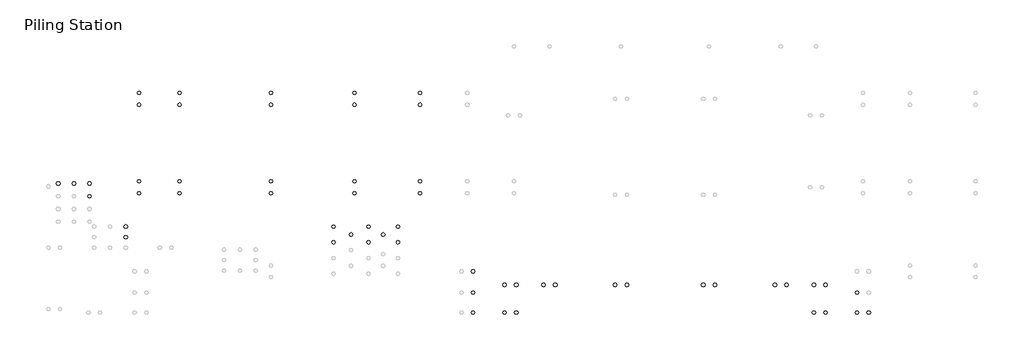
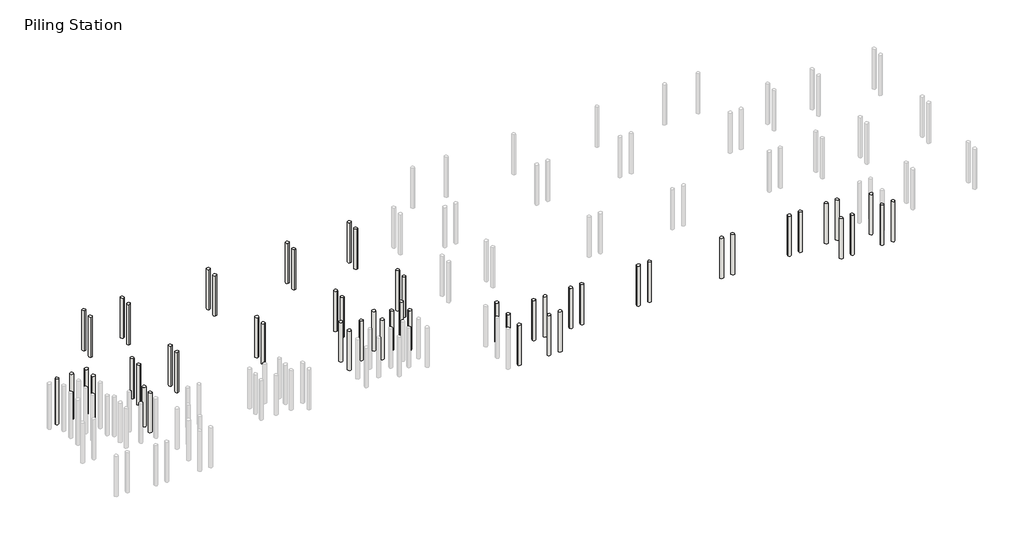
# One storey, part 2 of 4: 56 slabs.
"""IFC4 building model written with IfcOpenShell, lengths in millimetres."""

from ifc_helpers import new_model, si_unit, point, frame, frame_2d, origin, place, context, project, spatial, circle_curve, trimmed, segment, composite_curve, outline, extrude, element, save

model = new_model("IFC4")

# Units and contexts
model_context = context("Model", 3, world=origin())
ifc_project = project(units=[si_unit("LENGTHUNIT", "METRE", prefix="MILLI")], contexts=[model_context])

# Site, building, storey
site = spatial("IfcSite", under=ifc_project)
building = spatial("IfcBuilding", under=site)
storey = spatial("IfcBuildingStorey", under=building, Name="Piling Station", Elevation=-2100.0)

# Slabs
placement = place(None, origin())
element("IfcSlab", 1, ObjectType="Pile-Round with Symbol", at=placement, inside=storey, context=model_context, shape_type="SweptSolid", body=[
    extrude(outline(composite_curve([segment(trimmed(circle_curve(frame_2d((-59625.0749186, -11862.2248986)), 125.0), [point((-59500.0749186, -11862.2248986))], [point((-59750.0749186, -11862.2248986))], False, "CARTESIAN"), True, "CONTINUOUS"), segment(trimmed(circle_curve(frame_2d((-59625.0749186, -11862.2248986)), 125.0), [point((-59750.0749186, -11862.2248986))], [point((-59500.0749186, -11862.2248986))], False, "CARTESIAN"), True, "CONTINUOUS")], self_intersect=False)), frame((0.0, 0.0, -5050.0), z_axis=(0.0, 0.0, 1.0), x_axis=(1.0, 0.0, 0.0)), (0.0, 0.0, 1.0), 3450.0),
])
element("IfcSlab", 2, ObjectType="Pile-Round with Symbol", at=placement, inside=storey, context=model_context, shape_type="SweptSolid", body=[
    extrude(outline(composite_curve([segment(trimmed(circle_curve(frame_2d((-57500.0749186, -11862.2248986)), 125.0), [point((-57625.0749186, -11862.2248986))], [point((-57375.0749186, -11862.2248986))], False, "CARTESIAN"), True, "CONTINUOUS"), segment(trimmed(circle_curve(frame_2d((-57500.0749186, -11862.2248986)), 125.0), [point((-57375.0749186, -11862.2248986))], [point((-57625.0749186, -11862.2248986))], False, "CARTESIAN"), True, "CONTINUOUS")], self_intersect=False)), frame((0.0, 0.0, -5050.0), z_axis=(0.0, 0.0, 1.0), x_axis=(1.0, 0.0, 0.0)), (0.0, 0.0, 1.0), 3450.0),
])
element("IfcSlab", 3, ObjectType="Pile-Round with Symbol", at=placement, inside=storey, context=model_context, shape_type="SweptSolid", body=[
    extrude(outline(composite_curve([segment(trimmed(circle_curve(frame_2d((-58562.5749186, -11862.2248986)), 125.0), [point((-58437.5749186, -11862.2248986))], [point((-58687.5749186, -11862.2248986))], False, "CARTESIAN"), True, "CONTINUOUS"), segment(trimmed(circle_curve(frame_2d((-58562.5749186, -11862.2248986)), 125.0), [point((-58687.5749186, -11862.2248986))], [point((-58437.5749186, -11862.2248986))], False, "CARTESIAN"), True, "CONTINUOUS")], self_intersect=False)), frame((0.0, 0.0, -5050.0), z_axis=(0.0, 0.0, 1.0), x_axis=(1.0, 0.0, 0.0)), (0.0, 0.0, 1.0), 3450.0),
])
element("IfcSlab", 4, ObjectType="Pile-Round with Symbol", at=placement, inside=storey, context=model_context, shape_type="SweptSolid", body=[
    extrude(outline(composite_curve([segment(trimmed(circle_curve(frame_2d((-57500.0749186, -12731.3915653)), 125.0), [point((-57625.0749186, -12731.3915653))], [point((-57375.0749186, -12731.3915653))], False, "CARTESIAN"), True, "CONTINUOUS"), segment(trimmed(circle_curve(frame_2d((-57500.0749186, -12731.3915653)), 125.0), [point((-57375.0749186, -12731.3915653))], [point((-57625.0749186, -12731.3915653))], False, "CARTESIAN"), True, "CONTINUOUS")], self_intersect=False)), frame((0.0, 0.0, -5050.0), z_axis=(0.0, 0.0, 1.0), x_axis=(1.0, 0.0, 0.0)), (0.0, 0.0, 1.0), 3450.0),
])
element("IfcSlab", 5, ObjectType="Pile-Round with Symbol", at=placement, inside=storey, context=model_context, shape_type="SweptSolid", body=[
    extrude(outline(composite_curve([segment(trimmed(circle_curve(frame_2d((-55027.5749186, -14795.558232)), 125.0), [point((-55152.5749186, -14795.558232))], [point((-54902.5749186, -14795.558232))], False, "CARTESIAN"), True, "CONTINUOUS"), segment(trimmed(circle_curve(frame_2d((-55027.5749186, -14795.558232)), 125.0), [point((-54902.5749186, -14795.558232))], [point((-55152.5749186, -14795.558232))], False, "CARTESIAN"), True, "CONTINUOUS")], self_intersect=False)), frame((0.0, 0.0, -5050.0), z_axis=(0.0, 0.0, 1.0), x_axis=(1.0, 0.0, 0.0)), (0.0, 0.0, 1.0), 3000.0),
])
element("IfcSlab", 6, ObjectType="Pile-Round with Symbol", at=placement, inside=storey, context=model_context, shape_type="SweptSolid", body=[
    extrude(outline(composite_curve([segment(trimmed(circle_curve(frame_2d((-55027.5749186, -15520.558232)), 125.0), [point((-55152.5749186, -15520.558232))], [point((-54902.5749186, -15520.558232))], False, "CARTESIAN"), True, "CONTINUOUS"), segment(trimmed(circle_curve(frame_2d((-55027.5749186, -15520.558232)), 125.0), [point((-54902.5749186, -15520.558232))], [point((-55152.5749186, -15520.558232))], False, "CARTESIAN"), True, "CONTINUOUS")], self_intersect=False)), frame((0.0, 0.0, -5050.0), z_axis=(0.0, 0.0, 1.0), x_axis=(1.0, 0.0, 0.0)), (0.0, 0.0, 1.0), 3000.0),
])
element("IfcSlab", 7, ObjectType="Pile-Round with Symbol", at=placement, inside=storey, context=model_context, shape_type="SweptSolid", body=[
    extrude(outline(composite_curve([segment(trimmed(circle_curve(frame_2d((-51367.5749186, -12519.7248986)), 125.0), [point((-51367.5749186, -12644.7248986))], [point((-51367.5749186, -12394.7248986))], False, "CARTESIAN"), True, "CONTINUOUS"), segment(trimmed(circle_curve(frame_2d((-51367.5749186, -12519.7248986)), 125.0), [point((-51367.5749186, -12394.7248986))], [point((-51367.5749186, -12644.7248986))], False, "CARTESIAN"), True, "CONTINUOUS")], self_intersect=False)), frame((0.0, 0.0, -5100.0), z_axis=(0.0, 0.0, 1.0), x_axis=(1.0, 0.0, 0.0)), (0.0, 0.0, 1.0), 3050.0),
])
element("IfcSlab", 8, ObjectType="Pile-Round with Symbol", at=placement, inside=storey, context=model_context, shape_type="SweptSolid", body=[
    extrude(outline(composite_curve([segment(trimmed(circle_curve(frame_2d((-51367.5749186, -11719.7248986)), 125.0), [point((-51367.5749186, -11594.7248986))], [point((-51367.5749186, -11844.7248986))], False, "CARTESIAN"), True, "CONTINUOUS"), segment(trimmed(circle_curve(frame_2d((-51367.5749186, -11719.7248986)), 125.0), [point((-51367.5749186, -11844.7248986))], [point((-51367.5749186, -11594.7248986))], False, "CARTESIAN"), True, "CONTINUOUS")], self_intersect=False)), frame((0.0, 0.0, -5100.0), z_axis=(0.0, 0.0, 1.0), x_axis=(1.0, 0.0, 0.0)), (0.0, 0.0, 1.0), 3050.0),
])
element("IfcSlab", 9, ObjectType="Pile-Round with Symbol", at=placement, inside=storey, context=model_context, shape_type="SweptSolid", body=[
    extrude(outline(composite_curve([segment(trimmed(circle_curve(frame_2d((-54120.0749186, -12519.7248986)), 125.0), [point((-54120.0749186, -12644.7248986))], [point((-54120.0749186, -12394.7248986))], False, "CARTESIAN"), True, "CONTINUOUS"), segment(trimmed(circle_curve(frame_2d((-54120.0749186, -12519.7248986)), 125.0), [point((-54120.0749186, -12394.7248986))], [point((-54120.0749186, -12644.7248986))], False, "CARTESIAN"), True, "CONTINUOUS")], self_intersect=False)), frame((0.0, 0.0, -5100.0), z_axis=(0.0, 0.0, 1.0), x_axis=(1.0, 0.0, 0.0)), (0.0, 0.0, 1.0), 3050.0),
])
element("IfcSlab", 10, ObjectType="Pile-Round with Symbol", at=placement, inside=storey, context=model_context, shape_type="SweptSolid", body=[
    extrude(outline(composite_curve([segment(trimmed(circle_curve(frame_2d((-54120.0749186, -11719.7248986)), 125.0), [point((-54120.0749186, -11594.7248986))], [point((-54120.0749186, -11844.7248986))], False, "CARTESIAN"), True, "CONTINUOUS"), segment(trimmed(circle_curve(frame_2d((-54120.0749186, -11719.7248986)), 125.0), [point((-54120.0749186, -11844.7248986))], [point((-54120.0749186, -11594.7248986))], False, "CARTESIAN"), True, "CONTINUOUS")], self_intersect=False)), frame((0.0, 0.0, -5100.0), z_axis=(0.0, 0.0, 1.0), x_axis=(1.0, 0.0, 0.0)), (0.0, 0.0, 1.0), 3050.0),
])
element("IfcSlab", 11, ObjectType="Pile-Round with Symbol", at=placement, inside=storey, context=model_context, shape_type="SweptSolid", body=[
    extrude(outline(composite_curve([segment(trimmed(circle_curve(frame_2d((-45147.5749186, -12519.7248986)), 125.0), [point((-45147.5749186, -12644.7248986))], [point((-45147.5749186, -12394.7248986))], False, "CARTESIAN"), True, "CONTINUOUS"), segment(trimmed(circle_curve(frame_2d((-45147.5749186, -12519.7248986)), 125.0), [point((-45147.5749186, -12394.7248986))], [point((-45147.5749186, -12644.7248986))], False, "CARTESIAN"), True, "CONTINUOUS")], self_intersect=False)), frame((0.0, 0.0, -5100.0), z_axis=(0.0, 0.0, 1.0), x_axis=(1.0, 0.0, 0.0)), (0.0, 0.0, 1.0), 3050.0),
])
element("IfcSlab", 12, ObjectType="Pile-Round with Symbol", at=placement, inside=storey, context=model_context, shape_type="SweptSolid", body=[
    extrude(outline(composite_curve([segment(trimmed(circle_curve(frame_2d((-45147.5749186, -11719.7248986)), 125.0), [point((-45147.5749186, -11594.7248986))], [point((-45147.5749186, -11844.7248986))], False, "CARTESIAN"), True, "CONTINUOUS"), segment(trimmed(circle_curve(frame_2d((-45147.5749186, -11719.7248986)), 125.0), [point((-45147.5749186, -11844.7248986))], [point((-45147.5749186, -11594.7248986))], False, "CARTESIAN"), True, "CONTINUOUS")], self_intersect=False)), frame((0.0, 0.0, -5100.0), z_axis=(0.0, 0.0, 1.0), x_axis=(1.0, 0.0, 0.0)), (0.0, 0.0, 1.0), 3050.0),
])
element("IfcSlab", 13, ObjectType="Pile-Round with Symbol", at=placement, inside=storey, context=model_context, shape_type="SweptSolid", body=[
    extrude(outline(composite_curve([segment(trimmed(circle_curve(frame_2d((-39454.2335648, -12519.7248986)), 125.0), [point((-39454.2335648, -12644.7248986))], [point((-39454.2335648, -12394.7248986))], False, "CARTESIAN"), True, "CONTINUOUS"), segment(trimmed(circle_curve(frame_2d((-39454.2335648, -12519.7248986)), 125.0), [point((-39454.2335648, -12394.7248986))], [point((-39454.2335648, -12644.7248986))], False, "CARTESIAN"), True, "CONTINUOUS")], self_intersect=False)), frame((0.0, 0.0, -5100.0), z_axis=(0.0, 0.0, 1.0), x_axis=(1.0, 0.0, 0.0)), (0.0, 0.0, 1.0), 3050.0),
])
element("IfcSlab", 14, ObjectType="Pile-Round with Symbol", at=placement, inside=storey, context=model_context, shape_type="SweptSolid", body=[
    extrude(outline(composite_curve([segment(trimmed(circle_curve(frame_2d((-39454.2335648, -11719.7248986)), 125.0), [point((-39454.2335648, -11594.7248986))], [point((-39454.2335648, -11844.7248986))], False, "CARTESIAN"), True, "CONTINUOUS"), segment(trimmed(circle_curve(frame_2d((-39454.2335648, -11719.7248986)), 125.0), [point((-39454.2335648, -11844.7248986))], [point((-39454.2335648, -11594.7248986))], False, "CARTESIAN"), True, "CONTINUOUS")], self_intersect=False)), frame((0.0, 0.0, -5100.0), z_axis=(0.0, 0.0, 1.0), x_axis=(1.0, 0.0, 0.0)), (0.0, 0.0, 1.0), 3050.0),
])
element("IfcSlab", 15, ObjectType="Pile-Round with Symbol", at=placement, inside=storey, context=model_context, shape_type="SweptSolid", body=[
    extrude(outline(composite_curve([segment(trimmed(circle_curve(frame_2d((-34987.5749186, -12519.7248986)), 125.0), [point((-34987.5749186, -12644.7248986))], [point((-34987.5749186, -12394.7248986))], False, "CARTESIAN"), True, "CONTINUOUS"), segment(trimmed(circle_curve(frame_2d((-34987.5749186, -12519.7248986)), 125.0), [point((-34987.5749186, -12394.7248986))], [point((-34987.5749186, -12644.7248986))], False, "CARTESIAN"), True, "CONTINUOUS")], self_intersect=False)), frame((0.0, 0.0, -5100.0), z_axis=(0.0, 0.0, 1.0), x_axis=(1.0, 0.0, 0.0)), (0.0, 0.0, 1.0), 3050.0),
])
element("IfcSlab", 16, ObjectType="Pile-Round with Symbol", at=placement, inside=storey, context=model_context, shape_type="SweptSolid", body=[
    extrude(outline(composite_curve([segment(trimmed(circle_curve(frame_2d((-34987.5749186, -11719.7248986)), 125.0), [point((-34987.5749186, -11594.7248986))], [point((-34987.5749186, -11844.7248986))], False, "CARTESIAN"), True, "CONTINUOUS"), segment(trimmed(circle_curve(frame_2d((-34987.5749186, -11719.7248986)), 125.0), [point((-34987.5749186, -11844.7248986))], [point((-34987.5749186, -11594.7248986))], False, "CARTESIAN"), True, "CONTINUOUS")], self_intersect=False)), frame((0.0, 0.0, -5100.0), z_axis=(0.0, 0.0, 1.0), x_axis=(1.0, 0.0, 0.0)), (0.0, 0.0, 1.0), 3050.0),
])
element("IfcSlab", 17, ObjectType="Pile-Round with Symbol", at=placement, inside=storey, context=model_context, shape_type="SweptSolid", body=[
    extrude(outline(composite_curve([segment(trimmed(circle_curve(frame_2d((-31377.5749186, -20659.7180835)), 125.0), [point((-31252.5749186, -20659.7180835))], [point((-31502.5749186, -20659.7180835))], False, "CARTESIAN"), True, "CONTINUOUS"), segment(trimmed(circle_curve(frame_2d((-31377.5749186, -20659.7180835)), 125.0), [point((-31502.5749186, -20659.7180835))], [point((-31252.5749186, -20659.7180835))], False, "CARTESIAN"), True, "CONTINUOUS")], self_intersect=False)), frame((0.0, 0.0, -5100.0), z_axis=(0.0, 0.0, 1.0), x_axis=(1.0, 0.0, 0.0)), (0.0, 0.0, 1.0), 3050.0),
])
element("IfcSlab", 18, ObjectType="Pile-Round with Symbol", at=placement, inside=storey, context=model_context, shape_type="SweptSolid", body=[
    extrude(outline(composite_curve([segment(trimmed(circle_curve(frame_2d((-31377.5749186, -19299.1395763)), 125.0), [point((-31252.5749186, -19299.1395763))], [point((-31502.5749186, -19299.1395763))], False, "CARTESIAN"), True, "CONTINUOUS"), segment(trimmed(circle_curve(frame_2d((-31377.5749186, -19299.1395763)), 125.0), [point((-31502.5749186, -19299.1395763))], [point((-31252.5749186, -19299.1395763))], False, "CARTESIAN"), True, "CONTINUOUS")], self_intersect=False)), frame((0.0, 0.0, -5100.0), z_axis=(0.0, 0.0, 1.0), x_axis=(1.0, 0.0, 0.0)), (0.0, 0.0, 1.0), 3050.0),
])
element("IfcSlab", 19, ObjectType="Pile-Round with Symbol", at=placement, inside=storey, context=model_context, shape_type="SweptSolid", body=[
    extrude(outline(composite_curve([segment(trimmed(circle_curve(frame_2d((-29237.5749186, -18776.6395763)), 125.0), [point((-29362.5749186, -18776.6395763))], [point((-29112.5749186, -18776.6395763))], False, "CARTESIAN"), True, "CONTINUOUS"), segment(trimmed(circle_curve(frame_2d((-29237.5749186, -18776.6395763)), 125.0), [point((-29112.5749186, -18776.6395763))], [point((-29362.5749186, -18776.6395763))], False, "CARTESIAN"), True, "CONTINUOUS")], self_intersect=False)), frame((0.0, 0.0, -5100.0), z_axis=(0.0, 0.0, 1.0), x_axis=(1.0, 0.0, 0.0)), (0.0, 0.0, 1.0), 3050.0),
])
element("IfcSlab", 20, ObjectType="Pile-Round with Symbol", at=placement, inside=storey, context=model_context, shape_type="SweptSolid", body=[
    extrude(outline(composite_curve([segment(trimmed(circle_curve(frame_2d((-28437.5749186, -18776.6395763)), 125.0), [point((-28312.5749186, -18776.6395763))], [point((-28562.5749186, -18776.6395763))], False, "CARTESIAN"), True, "CONTINUOUS"), segment(trimmed(circle_curve(frame_2d((-28437.5749186, -18776.6395763)), 125.0), [point((-28562.5749186, -18776.6395763))], [point((-28312.5749186, -18776.6395763))], False, "CARTESIAN"), True, "CONTINUOUS")], self_intersect=False)), frame((0.0, 0.0, -5100.0), z_axis=(0.0, 0.0, 1.0), x_axis=(1.0, 0.0, 0.0)), (0.0, 0.0, 1.0), 3050.0),
])
element("IfcSlab", 21, ObjectType="Pile-Round with Symbol", at=placement, inside=storey, context=model_context, shape_type="SweptSolid", body=[
    extrude(outline(composite_curve([segment(trimmed(circle_curve(frame_2d((-29237.5749186, -20659.7180835)), 125.0), [point((-29362.5749186, -20659.7180835))], [point((-29112.5749186, -20659.7180835))], False, "CARTESIAN"), True, "CONTINUOUS"), segment(trimmed(circle_curve(frame_2d((-29237.5749186, -20659.7180835)), 125.0), [point((-29112.5749186, -20659.7180835))], [point((-29362.5749186, -20659.7180835))], False, "CARTESIAN"), True, "CONTINUOUS")], self_intersect=False)), frame((0.0, 0.0, -5100.0), z_axis=(0.0, 0.0, 1.0), x_axis=(1.0, 0.0, 0.0)), (0.0, 0.0, 1.0), 3050.0),
])
element("IfcSlab", 22, ObjectType="Pile-Round with Symbol", at=placement, inside=storey, context=model_context, shape_type="SweptSolid", body=[
    extrude(outline(composite_curve([segment(trimmed(circle_curve(frame_2d((-28437.5749186, -20659.7180835)), 125.0), [point((-28312.5749186, -20659.7180835))], [point((-28562.5749186, -20659.7180835))], False, "CARTESIAN"), True, "CONTINUOUS"), segment(trimmed(circle_curve(frame_2d((-28437.5749186, -20659.7180835)), 125.0), [point((-28562.5749186, -20659.7180835))], [point((-28312.5749186, -20659.7180835))], False, "CARTESIAN"), True, "CONTINUOUS")], self_intersect=False)), frame((0.0, 0.0, -5100.0), z_axis=(0.0, 0.0, 1.0), x_axis=(1.0, 0.0, 0.0)), (0.0, 0.0, 1.0), 3050.0),
])
element("IfcSlab", 23, ObjectType="Pile-Round with Symbol", at=placement, inside=storey, context=model_context, shape_type="SweptSolid", body=[
    extrude(outline(composite_curve([segment(trimmed(circle_curve(frame_2d((-26582.5749186, -18776.6395763)), 125.0), [point((-26707.5749186, -18776.6395763))], [point((-26457.5749186, -18776.6395763))], False, "CARTESIAN"), True, "CONTINUOUS"), segment(trimmed(circle_curve(frame_2d((-26582.5749186, -18776.6395763)), 125.0), [point((-26457.5749186, -18776.6395763))], [point((-26707.5749186, -18776.6395763))], False, "CARTESIAN"), True, "CONTINUOUS")], self_intersect=False)), frame((0.0, 0.0, -5100.0), z_axis=(0.0, 0.0, 1.0), x_axis=(1.0, 0.0, 0.0)), (0.0, 0.0, 1.0), 3050.0),
])
element("IfcSlab", 24, ObjectType="Pile-Round with Symbol", at=placement, inside=storey, context=model_context, shape_type="SweptSolid", body=[
    extrude(outline(composite_curve([segment(trimmed(circle_curve(frame_2d((-25782.5749186, -18776.6395763)), 125.0), [point((-25657.5749186, -18776.6395763))], [point((-25907.5749186, -18776.6395763))], False, "CARTESIAN"), True, "CONTINUOUS"), segment(trimmed(circle_curve(frame_2d((-25782.5749186, -18776.6395763)), 125.0), [point((-25907.5749186, -18776.6395763))], [point((-25657.5749186, -18776.6395763))], False, "CARTESIAN"), True, "CONTINUOUS")], self_intersect=False)), frame((0.0, 0.0, -5100.0), z_axis=(0.0, 0.0, 1.0), x_axis=(1.0, 0.0, 0.0)), (0.0, 0.0, 1.0), 3050.0),
])
element("IfcSlab", 25, ObjectType="Pile-Round with Symbol", at=placement, inside=storey, context=model_context, shape_type="SweptSolid", body=[
    extrude(outline(composite_curve([segment(trimmed(circle_curve(frame_2d((-21707.5749186, -18776.6395763)), 125.0), [point((-21832.5749186, -18776.6395763))], [point((-21582.5749186, -18776.6395763))], False, "CARTESIAN"), True, "CONTINUOUS"), segment(trimmed(circle_curve(frame_2d((-21707.5749186, -18776.6395763)), 125.0), [point((-21582.5749186, -18776.6395763))], [point((-21832.5749186, -18776.6395763))], False, "CARTESIAN"), True, "CONTINUOUS")], self_intersect=False)), frame((0.0, 0.0, -5100.0), z_axis=(0.0, 0.0, 1.0), x_axis=(1.0, 0.0, 0.0)), (0.0, 0.0, 1.0), 3050.0),
])
element("IfcSlab", 26, ObjectType="Pile-Round with Symbol", at=placement, inside=storey, context=model_context, shape_type="SweptSolid", body=[
    extrude(outline(composite_curve([segment(trimmed(circle_curve(frame_2d((-20907.5749186, -18776.6395763)), 125.0), [point((-20782.5749186, -18776.6395763))], [point((-21032.5749186, -18776.6395763))], False, "CARTESIAN"), True, "CONTINUOUS"), segment(trimmed(circle_curve(frame_2d((-20907.5749186, -18776.6395763)), 125.0), [point((-21032.5749186, -18776.6395763))], [point((-20782.5749186, -18776.6395763))], False, "CARTESIAN"), True, "CONTINUOUS")], self_intersect=False)), frame((0.0, 0.0, -5100.0), z_axis=(0.0, 0.0, 1.0), x_axis=(1.0, 0.0, 0.0)), (0.0, 0.0, 1.0), 3050.0),
])
element("IfcSlab", 27, ObjectType="Pile-Round with Symbol", at=placement, inside=storey, context=model_context, shape_type="SweptSolid", body=[
    extrude(outline(composite_curve([segment(trimmed(circle_curve(frame_2d((-15707.5749186, -18776.6395763)), 125.0), [point((-15832.5749186, -18776.6395763))], [point((-15582.5749186, -18776.6395763))], False, "CARTESIAN"), True, "CONTINUOUS"), segment(trimmed(circle_curve(frame_2d((-15707.5749186, -18776.6395763)), 125.0), [point((-15582.5749186, -18776.6395763))], [point((-15832.5749186, -18776.6395763))], False, "CARTESIAN"), True, "CONTINUOUS")], self_intersect=False)), frame((0.0, 0.0, -5100.0), z_axis=(0.0, 0.0, 1.0), x_axis=(1.0, 0.0, 0.0)), (0.0, 0.0, 1.0), 3050.0),
])
element("IfcSlab", 28, ObjectType="Pile-Round with Symbol", at=placement, inside=storey, context=model_context, shape_type="SweptSolid", body=[
    extrude(outline(composite_curve([segment(trimmed(circle_curve(frame_2d((-14907.5749186, -18776.6395763)), 125.0), [point((-14782.5749186, -18776.6395763))], [point((-15032.5749186, -18776.6395763))], False, "CARTESIAN"), True, "CONTINUOUS"), segment(trimmed(circle_curve(frame_2d((-14907.5749186, -18776.6395763)), 125.0), [point((-15032.5749186, -18776.6395763))], [point((-14782.5749186, -18776.6395763))], False, "CARTESIAN"), True, "CONTINUOUS")], self_intersect=False)), frame((0.0, 0.0, -5100.0), z_axis=(0.0, 0.0, 1.0), x_axis=(1.0, 0.0, 0.0)), (0.0, 0.0, 1.0), 3050.0),
])
element("IfcSlab", 29, ObjectType="Pile-Round with Symbol", at=placement, inside=storey, context=model_context, shape_type="SweptSolid", body=[
    extrude(outline(composite_curve([segment(trimmed(circle_curve(frame_2d((-10832.5749186, -18776.6395763)), 125.0), [point((-10957.5749186, -18776.6395763))], [point((-10707.5749186, -18776.6395763))], False, "CARTESIAN"), True, "CONTINUOUS"), segment(trimmed(circle_curve(frame_2d((-10832.5749186, -18776.6395763)), 125.0), [point((-10707.5749186, -18776.6395763))], [point((-10957.5749186, -18776.6395763))], False, "CARTESIAN"), True, "CONTINUOUS")], self_intersect=False)), frame((0.0, 0.0, -5100.0), z_axis=(0.0, 0.0, 1.0), x_axis=(1.0, 0.0, 0.0)), (0.0, 0.0, 1.0), 3050.0),
])
element("IfcSlab", 30, ObjectType="Pile-Round with Symbol", at=placement, inside=storey, context=model_context, shape_type="SweptSolid", body=[
    extrude(outline(composite_curve([segment(trimmed(circle_curve(frame_2d((-10032.5749186, -18776.6395763)), 125.0), [point((-9907.5749186, -18776.6395763))], [point((-10157.5749186, -18776.6395763))], False, "CARTESIAN"), True, "CONTINUOUS"), segment(trimmed(circle_curve(frame_2d((-10032.5749186, -18776.6395763)), 125.0), [point((-10157.5749186, -18776.6395763))], [point((-9907.5749186, -18776.6395763))], False, "CARTESIAN"), True, "CONTINUOUS")], self_intersect=False)), frame((0.0, 0.0, -5100.0), z_axis=(0.0, 0.0, 1.0), x_axis=(1.0, 0.0, 0.0)), (0.0, 0.0, 1.0), 3050.0),
])
element("IfcSlab", 31, ObjectType="Pile-Round with Symbol", at=placement, inside=storey, context=model_context, shape_type="SweptSolid", body=[
    extrude(outline(composite_curve([segment(trimmed(circle_curve(frame_2d((-54120.0749186, -6489.7248986)), 125.0), [point((-54120.0749186, -6614.7248986))], [point((-54120.0749186, -6364.7248986))], False, "CARTESIAN"), True, "CONTINUOUS"), segment(trimmed(circle_curve(frame_2d((-54120.0749186, -6489.7248986)), 125.0), [point((-54120.0749186, -6364.7248986))], [point((-54120.0749186, -6614.7248986))], False, "CARTESIAN"), True, "CONTINUOUS")], self_intersect=False)), frame((0.0, 0.0, -5100.0), z_axis=(0.0, 0.0, 1.0), x_axis=(1.0, 0.0, 0.0)), (0.0, 0.0, 1.0), 3050.0),
])
element("IfcSlab", 32, ObjectType="Pile-Round with Symbol", at=placement, inside=storey, context=model_context, shape_type="SweptSolid", body=[
    extrude(outline(composite_curve([segment(trimmed(circle_curve(frame_2d((-54120.0749186, -5689.7248986)), 125.0), [point((-54120.0749186, -5564.7248986))], [point((-54120.0749186, -5814.7248986))], False, "CARTESIAN"), True, "CONTINUOUS"), segment(trimmed(circle_curve(frame_2d((-54120.0749186, -5689.7248986)), 125.0), [point((-54120.0749186, -5814.7248986))], [point((-54120.0749186, -5564.7248986))], False, "CARTESIAN"), True, "CONTINUOUS")], self_intersect=False)), frame((0.0, 0.0, -5100.0), z_axis=(0.0, 0.0, 1.0), x_axis=(1.0, 0.0, 0.0)), (0.0, 0.0, 1.0), 3050.0),
])
element("IfcSlab", 33, ObjectType="Pile-Round with Symbol", at=placement, inside=storey, context=model_context, shape_type="SweptSolid", body=[
    extrude(outline(composite_curve([segment(trimmed(circle_curve(frame_2d((-51367.5749186, -6489.7248986)), 125.0), [point((-51367.5749186, -6614.7248986))], [point((-51367.5749186, -6364.7248986))], False, "CARTESIAN"), True, "CONTINUOUS"), segment(trimmed(circle_curve(frame_2d((-51367.5749186, -6489.7248986)), 125.0), [point((-51367.5749186, -6364.7248986))], [point((-51367.5749186, -6614.7248986))], False, "CARTESIAN"), True, "CONTINUOUS")], self_intersect=False)), frame((0.0, 0.0, -5100.0), z_axis=(0.0, 0.0, 1.0), x_axis=(1.0, 0.0, 0.0)), (0.0, 0.0, 1.0), 3050.0),
])
element("IfcSlab", 34, ObjectType="Pile-Round with Symbol", at=placement, inside=storey, context=model_context, shape_type="SweptSolid", body=[
    extrude(outline(composite_curve([segment(trimmed(circle_curve(frame_2d((-51367.5749186, -5689.7248986)), 125.0), [point((-51367.5749186, -5564.7248986))], [point((-51367.5749186, -5814.7248986))], False, "CARTESIAN"), True, "CONTINUOUS"), segment(trimmed(circle_curve(frame_2d((-51367.5749186, -5689.7248986)), 125.0), [point((-51367.5749186, -5814.7248986))], [point((-51367.5749186, -5564.7248986))], False, "CARTESIAN"), True, "CONTINUOUS")], self_intersect=False)), frame((0.0, 0.0, -5100.0), z_axis=(0.0, 0.0, 1.0), x_axis=(1.0, 0.0, 0.0)), (0.0, 0.0, 1.0), 3050.0),
])
element("IfcSlab", 35, ObjectType="Pile-Round with Symbol", at=placement, inside=storey, context=model_context, shape_type="SweptSolid", body=[
    extrude(outline(composite_curve([segment(trimmed(circle_curve(frame_2d((-45147.5749186, -6489.7248986)), 125.0), [point((-45147.5749186, -6614.7248986))], [point((-45147.5749186, -6364.7248986))], False, "CARTESIAN"), True, "CONTINUOUS"), segment(trimmed(circle_curve(frame_2d((-45147.5749186, -6489.7248986)), 125.0), [point((-45147.5749186, -6364.7248986))], [point((-45147.5749186, -6614.7248986))], False, "CARTESIAN"), True, "CONTINUOUS")], self_intersect=False)), frame((0.0, 0.0, -5100.0), z_axis=(0.0, 0.0, 1.0), x_axis=(1.0, 0.0, 0.0)), (0.0, 0.0, 1.0), 3050.0),
])
element("IfcSlab", 36, ObjectType="Pile-Round with Symbol", at=placement, inside=storey, context=model_context, shape_type="SweptSolid", body=[
    extrude(outline(composite_curve([segment(trimmed(circle_curve(frame_2d((-45147.5749186, -5689.7248986)), 125.0), [point((-45147.5749186, -5564.7248986))], [point((-45147.5749186, -5814.7248986))], False, "CARTESIAN"), True, "CONTINUOUS"), segment(trimmed(circle_curve(frame_2d((-45147.5749186, -5689.7248986)), 125.0), [point((-45147.5749186, -5814.7248986))], [point((-45147.5749186, -5564.7248986))], False, "CARTESIAN"), True, "CONTINUOUS")], self_intersect=False)), frame((0.0, 0.0, -5100.0), z_axis=(0.0, 0.0, 1.0), x_axis=(1.0, 0.0, 0.0)), (0.0, 0.0, 1.0), 3050.0),
])
element("IfcSlab", 37, ObjectType="Pile-Round with Symbol", at=placement, inside=storey, context=model_context, shape_type="SweptSolid", body=[
    extrude(outline(composite_curve([segment(trimmed(circle_curve(frame_2d((-39454.2335648, -6489.7248986)), 125.0), [point((-39454.2335648, -6614.7248986))], [point((-39454.2335648, -6364.7248986))], False, "CARTESIAN"), True, "CONTINUOUS"), segment(trimmed(circle_curve(frame_2d((-39454.2335648, -6489.7248986)), 125.0), [point((-39454.2335648, -6364.7248986))], [point((-39454.2335648, -6614.7248986))], False, "CARTESIAN"), True, "CONTINUOUS")], self_intersect=False)), frame((0.0, 0.0, -5100.0), z_axis=(0.0, 0.0, 1.0), x_axis=(1.0, 0.0, 0.0)), (0.0, 0.0, 1.0), 3050.0),
])
element("IfcSlab", 38, ObjectType="Pile-Round with Symbol", at=placement, inside=storey, context=model_context, shape_type="SweptSolid", body=[
    extrude(outline(composite_curve([segment(trimmed(circle_curve(frame_2d((-39454.2335648, -5689.7248986)), 125.0), [point((-39454.2335648, -5564.7248986))], [point((-39454.2335648, -5814.7248986))], False, "CARTESIAN"), True, "CONTINUOUS"), segment(trimmed(circle_curve(frame_2d((-39454.2335648, -5689.7248986)), 125.0), [point((-39454.2335648, -5814.7248986))], [point((-39454.2335648, -5564.7248986))], False, "CARTESIAN"), True, "CONTINUOUS")], self_intersect=False)), frame((0.0, 0.0, -5100.0), z_axis=(0.0, 0.0, 1.0), x_axis=(1.0, 0.0, 0.0)), (0.0, 0.0, 1.0), 3050.0),
])
element("IfcSlab", 39, ObjectType="Pile-Round with Symbol", at=placement, inside=storey, context=model_context, shape_type="SweptSolid", body=[
    extrude(outline(composite_curve([segment(trimmed(circle_curve(frame_2d((-34987.5749186, -6489.7248986)), 125.0), [point((-34987.5749186, -6614.7248986))], [point((-34987.5749186, -6364.7248986))], False, "CARTESIAN"), True, "CONTINUOUS"), segment(trimmed(circle_curve(frame_2d((-34987.5749186, -6489.7248986)), 125.0), [point((-34987.5749186, -6364.7248986))], [point((-34987.5749186, -6614.7248986))], False, "CARTESIAN"), True, "CONTINUOUS")], self_intersect=False)), frame((0.0, 0.0, -5100.0), z_axis=(0.0, 0.0, 1.0), x_axis=(1.0, 0.0, 0.0)), (0.0, 0.0, 1.0), 3050.0),
])
element("IfcSlab", 40, ObjectType="Pile-Round with Symbol", at=placement, inside=storey, context=model_context, shape_type="SweptSolid", body=[
    extrude(outline(composite_curve([segment(trimmed(circle_curve(frame_2d((-34987.5749186, -5689.7248986)), 125.0), [point((-34987.5749186, -5564.7248986))], [point((-34987.5749186, -5814.7248986))], False, "CARTESIAN"), True, "CONTINUOUS"), segment(trimmed(circle_curve(frame_2d((-34987.5749186, -5689.7248986)), 125.0), [point((-34987.5749186, -5814.7248986))], [point((-34987.5749186, -5564.7248986))], False, "CARTESIAN"), True, "CONTINUOUS")], self_intersect=False)), frame((0.0, 0.0, -5100.0), z_axis=(0.0, 0.0, 1.0), x_axis=(1.0, 0.0, 0.0)), (0.0, 0.0, 1.0), 3050.0),
])
element("IfcSlab", 41, ObjectType="Pile-Round with Symbol", at=placement, inside=storey, context=model_context, shape_type="SweptSolid", body=[
    extrude(outline(composite_curve([segment(trimmed(circle_curve(frame_2d((-40882.5711521, -14804.7248986)), 125.0), [point((-41007.5711521, -14804.7248986))], [point((-40757.5711521, -14804.7248986))], False, "CARTESIAN"), True, "CONTINUOUS"), segment(trimmed(circle_curve(frame_2d((-40882.5711521, -14804.7248986)), 125.0), [point((-40757.5711521, -14804.7248986))], [point((-41007.5711521, -14804.7248986))], False, "CARTESIAN"), True, "CONTINUOUS")], self_intersect=False)), frame((0.0, 0.0, -5050.0), z_axis=(0.0, 0.0, 1.0), x_axis=(1.0, 0.0, 0.0)), (0.0, 0.0, 1.0), 3000.0),
])
element("IfcSlab", 42, ObjectType="Pile-Round with Symbol", at=placement, inside=storey, context=model_context, shape_type="SweptSolid", body=[
    extrude(outline(composite_curve([segment(trimmed(circle_curve(frame_2d((-36500.0711521, -14804.7248986)), 125.0), [point((-36625.0711521, -14804.7248986))], [point((-36375.0711521, -14804.7248986))], False, "CARTESIAN"), True, "CONTINUOUS"), segment(trimmed(circle_curve(frame_2d((-36500.0711521, -14804.7248986)), 125.0), [point((-36375.0711521, -14804.7248986))], [point((-36625.0711521, -14804.7248986))], False, "CARTESIAN"), True, "CONTINUOUS")], self_intersect=False)), frame((0.0, 0.0, -5050.0), z_axis=(0.0, 0.0, 1.0), x_axis=(1.0, 0.0, 0.0)), (0.0, 0.0, 1.0), 3000.0),
])
element("IfcSlab", 43, ObjectType="Pile-Round with Symbol", at=placement, inside=storey, context=model_context, shape_type="SweptSolid", body=[
    extrude(outline(composite_curve([segment(trimmed(circle_curve(frame_2d((-38500.0711521, -14804.7248986)), 125.0), [point((-38625.0711521, -14804.7248986))], [point((-38375.0711521, -14804.7248986))], False, "CARTESIAN"), True, "CONTINUOUS"), segment(trimmed(circle_curve(frame_2d((-38500.0711521, -14804.7248986)), 125.0), [point((-38375.0711521, -14804.7248986))], [point((-38625.0711521, -14804.7248986))], False, "CARTESIAN"), True, "CONTINUOUS")], self_intersect=False)), frame((0.0, 0.0, -5050.0), z_axis=(0.0, 0.0, 1.0), x_axis=(1.0, 0.0, 0.0)), (0.0, 0.0, 1.0), 3000.0),
])
element("IfcSlab", 44, ObjectType="Pile-Round with Symbol", at=placement, inside=storey, context=model_context, shape_type="SweptSolid", body=[
    extrude(outline(composite_curve([segment(trimmed(circle_curve(frame_2d((-36500.0711521, -15876.3915653)), 125.0), [point((-36625.0711521, -15876.3915653))], [point((-36375.0711521, -15876.3915653))], False, "CARTESIAN"), True, "CONTINUOUS"), segment(trimmed(circle_curve(frame_2d((-36500.0711521, -15876.3915653)), 125.0), [point((-36375.0711521, -15876.3915653))], [point((-36625.0711521, -15876.3915653))], False, "CARTESIAN"), True, "CONTINUOUS")], self_intersect=False)), frame((0.0, 0.0, -5050.0), z_axis=(0.0, 0.0, 1.0), x_axis=(1.0, 0.0, 0.0)), (0.0, 0.0, 1.0), 3000.0),
])
element("IfcSlab", 45, ObjectType="Pile-Round with Symbol", at=placement, inside=storey, context=model_context, shape_type="SweptSolid", body=[
    extrude(outline(composite_curve([segment(trimmed(circle_curve(frame_2d((-38500.0711521, -15876.3915653)), 125.0), [point((-38625.0711521, -15876.3915653))], [point((-38375.0711521, -15876.3915653))], False, "CARTESIAN"), True, "CONTINUOUS"), segment(trimmed(circle_curve(frame_2d((-38500.0711521, -15876.3915653)), 125.0), [point((-38375.0711521, -15876.3915653))], [point((-38625.0711521, -15876.3915653))], False, "CARTESIAN"), True, "CONTINUOUS")], self_intersect=False)), frame((0.0, 0.0, -5050.0), z_axis=(0.0, 0.0, 1.0), x_axis=(1.0, 0.0, 0.0)), (0.0, 0.0, 1.0), 3000.0),
])
element("IfcSlab", 46, ObjectType="Pile-Round with Symbol", at=placement, inside=storey, context=model_context, shape_type="SweptSolid", body=[
    extrude(outline(composite_curve([segment(trimmed(circle_curve(frame_2d((-40882.5711521, -15876.3915653)), 125.0), [point((-41007.5711521, -15876.3915653))], [point((-40757.5711521, -15876.3915653))], False, "CARTESIAN"), True, "CONTINUOUS"), segment(trimmed(circle_curve(frame_2d((-40882.5711521, -15876.3915653)), 125.0), [point((-40757.5711521, -15876.3915653))], [point((-41007.5711521, -15876.3915653))], False, "CARTESIAN"), True, "CONTINUOUS")], self_intersect=False)), frame((0.0, 0.0, -5050.0), z_axis=(0.0, 0.0, 1.0), x_axis=(1.0, 0.0, 0.0)), (0.0, 0.0, 1.0), 3000.0),
])
element("IfcSlab", 47, ObjectType="Pile-Round with Symbol", at=placement, inside=storey, context=model_context, shape_type="SweptSolid", body=[
    extrude(outline(composite_curve([segment(trimmed(circle_curve(frame_2d((-39691.3211521, -15340.558232)), 125.0), [point((-39816.3211521, -15340.558232))], [point((-39566.3211521, -15340.558232))], False, "CARTESIAN"), True, "CONTINUOUS"), segment(trimmed(circle_curve(frame_2d((-39691.3211521, -15340.558232)), 125.0), [point((-39566.3211521, -15340.558232))], [point((-39816.3211521, -15340.558232))], False, "CARTESIAN"), True, "CONTINUOUS")], self_intersect=False)), frame((0.0, 0.0, -5050.0), z_axis=(0.0, 0.0, 1.0), x_axis=(1.0, 0.0, 0.0)), (0.0, 0.0, 1.0), 3000.0),
])
element("IfcSlab", 48, ObjectType="Pile-Round with Symbol", at=placement, inside=storey, context=model_context, shape_type="SweptSolid", body=[
    extrude(outline(composite_curve([segment(trimmed(circle_curve(frame_2d((-37500.0711521, -15340.558232)), 125.0), [point((-37625.0711521, -15340.558232))], [point((-37375.0711521, -15340.558232))], False, "CARTESIAN"), True, "CONTINUOUS"), segment(trimmed(circle_curve(frame_2d((-37500.0711521, -15340.558232)), 125.0), [point((-37375.0711521, -15340.558232))], [point((-37625.0711521, -15340.558232))], False, "CARTESIAN"), True, "CONTINUOUS")], self_intersect=False)), frame((0.0, 0.0, -5050.0), z_axis=(0.0, 0.0, 1.0), x_axis=(1.0, 0.0, 0.0)), (0.0, 0.0, 1.0), 3000.0),
])
element("IfcSlab", 49, ObjectType="Pile-Round with Symbol", at=placement, inside=storey, context=model_context, shape_type="SweptSolid", body=[
    extrude(outline(composite_curve([segment(trimmed(circle_curve(frame_2d((-8177.5749186, -20659.7180835)), 125.0), [point((-8302.5749186, -20659.7180835))], [point((-8052.5749186, -20659.7180835))], False, "CARTESIAN"), True, "CONTINUOUS"), segment(trimmed(circle_curve(frame_2d((-8177.5749186, -20659.7180835)), 125.0), [point((-8052.5749186, -20659.7180835))], [point((-8302.5749186, -20659.7180835))], False, "CARTESIAN"), True, "CONTINUOUS")], self_intersect=False)), frame((0.0, 0.0, -5100.0), z_axis=(0.0, 0.0, 1.0), x_axis=(1.0, 0.0, 0.0)), (0.0, 0.0, 1.0), 3050.0),
])
element("IfcSlab", 50, ObjectType="Pile-Round with Symbol", at=placement, inside=storey, context=model_context, shape_type="SweptSolid", body=[
    extrude(outline(composite_curve([segment(trimmed(circle_curve(frame_2d((-7377.5749186, -20659.7180835)), 125.0), [point((-7252.5749186, -20659.7180835))], [point((-7502.5749186, -20659.7180835))], False, "CARTESIAN"), True, "CONTINUOUS"), segment(trimmed(circle_curve(frame_2d((-7377.5749186, -20659.7180835)), 125.0), [point((-7502.5749186, -20659.7180835))], [point((-7252.5749186, -20659.7180835))], False, "CARTESIAN"), True, "CONTINUOUS")], self_intersect=False)), frame((0.0, 0.0, -5100.0), z_axis=(0.0, 0.0, 1.0), x_axis=(1.0, 0.0, 0.0)), (0.0, 0.0, 1.0), 3050.0),
])
element("IfcSlab", 51, ObjectType="Pile-Round with Symbol", at=placement, inside=storey, context=model_context, shape_type="SweptSolid", body=[
    extrude(outline(composite_curve([segment(trimmed(circle_curve(frame_2d((-4437.5749186, -20659.7180835)), 125.0), [point((-4312.5749186, -20659.7180835))], [point((-4562.5749186, -20659.7180835))], False, "CARTESIAN"), True, "CONTINUOUS"), segment(trimmed(circle_curve(frame_2d((-4437.5749186, -20659.7180835)), 125.0), [point((-4562.5749186, -20659.7180835))], [point((-4312.5749186, -20659.7180835))], False, "CARTESIAN"), True, "CONTINUOUS")], self_intersect=False)), frame((0.0, 0.0, -5100.0), z_axis=(0.0, 0.0, 1.0), x_axis=(1.0, 0.0, 0.0)), (0.0, 0.0, 1.0), 3050.0),
])
element("IfcSlab", 52, ObjectType="Pile-Round with Symbol", at=placement, inside=storey, context=model_context, shape_type="SweptSolid", body=[
    extrude(outline(composite_curve([segment(trimmed(circle_curve(frame_2d((-5237.5749186, -20659.7180835)), 125.0), [point((-5362.5749186, -20659.7180835))], [point((-5112.5749186, -20659.7180835))], False, "CARTESIAN"), True, "CONTINUOUS"), segment(trimmed(circle_curve(frame_2d((-5237.5749186, -20659.7180835)), 125.0), [point((-5112.5749186, -20659.7180835))], [point((-5362.5749186, -20659.7180835))], False, "CARTESIAN"), True, "CONTINUOUS")], self_intersect=False)), frame((0.0, 0.0, -5100.0), z_axis=(0.0, 0.0, 1.0), x_axis=(1.0, 0.0, 0.0)), (0.0, 0.0, 1.0), 3050.0),
])
element("IfcSlab", 53, ObjectType="Pile-Round with Symbol", at=placement, inside=storey, context=model_context, shape_type="SweptSolid", body=[
    extrude(outline(composite_curve([segment(trimmed(circle_curve(frame_2d((-5237.5749186, -19299.1395763)), 125.0), [point((-5362.5749186, -19299.1395763))], [point((-5112.5749186, -19299.1395763))], False, "CARTESIAN"), True, "CONTINUOUS"), segment(trimmed(circle_curve(frame_2d((-5237.5749186, -19299.1395763)), 125.0), [point((-5112.5749186, -19299.1395763))], [point((-5362.5749186, -19299.1395763))], False, "CARTESIAN"), True, "CONTINUOUS")], self_intersect=False)), frame((0.0, 0.0, -5100.0), z_axis=(0.0, 0.0, 1.0), x_axis=(1.0, 0.0, 0.0)), (0.0, 0.0, 1.0), 3050.0),
])
element("IfcSlab", 54, ObjectType="Pile-Round with Symbol", at=placement, inside=storey, context=model_context, shape_type="SweptSolid", body=[
    extrude(outline(composite_curve([segment(trimmed(circle_curve(frame_2d((-31377.5749186, -17852.2248986)), 125.0), [point((-31252.5749186, -17852.2248986))], [point((-31502.5749186, -17852.2248986))], False, "CARTESIAN"), True, "CONTINUOUS"), segment(trimmed(circle_curve(frame_2d((-31377.5749186, -17852.2248986)), 125.0), [point((-31502.5749186, -17852.2248986))], [point((-31252.5749186, -17852.2248986))], False, "CARTESIAN"), True, "CONTINUOUS")], self_intersect=False)), frame((0.0, 0.0, -5100.0), z_axis=(0.0, 0.0, 1.0), x_axis=(1.0, 0.0, 0.0)), (0.0, 0.0, 1.0), 3050.0),
])
element("IfcSlab", 55, ObjectType="Pile-Round with Symbol", at=placement, inside=storey, context=model_context, shape_type="SweptSolid", body=[
    extrude(outline(composite_curve([segment(trimmed(circle_curve(frame_2d((-7377.5749186, -18776.6395763)), 125.0), [point((-7252.5749186, -18776.6395763))], [point((-7502.5749186, -18776.6395763))], False, "CARTESIAN"), True, "CONTINUOUS"), segment(trimmed(circle_curve(frame_2d((-7377.5749186, -18776.6395763)), 125.0), [point((-7502.5749186, -18776.6395763))], [point((-7252.5749186, -18776.6395763))], False, "CARTESIAN"), True, "CONTINUOUS")], self_intersect=False)), frame((0.0, 0.0, -5100.0), z_axis=(0.0, 0.0, 1.0), x_axis=(1.0, 0.0, 0.0)), (0.0, 0.0, 1.0), 3050.0),
])
element("IfcSlab", 56, ObjectType="Pile-Round with Symbol", at=placement, inside=storey, context=model_context, shape_type="SweptSolid", body=[
    extrude(outline(composite_curve([segment(trimmed(circle_curve(frame_2d((-8177.5749186, -18776.6395763)), 125.0), [point((-8302.5749186, -18776.6395763))], [point((-8052.5749186, -18776.6395763))], False, "CARTESIAN"), True, "CONTINUOUS"), segment(trimmed(circle_curve(frame_2d((-8177.5749186, -18776.6395763)), 125.0), [point((-8052.5749186, -18776.6395763))], [point((-8302.5749186, -18776.6395763))], False, "CARTESIAN"), True, "CONTINUOUS")], self_intersect=False)), frame((0.0, 0.0, -5100.0), z_axis=(0.0, 0.0, 1.0), x_axis=(1.0, 0.0, 0.0)), (0.0, 0.0, 1.0), 3050.0),
])

save(model, "model.ifc")
